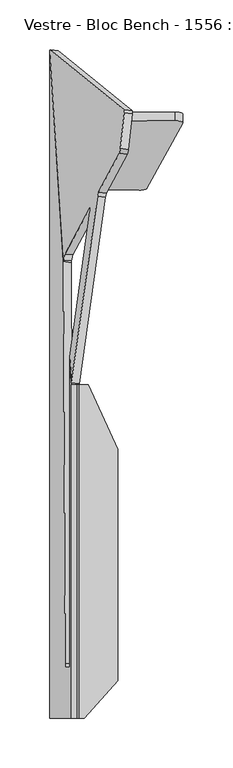
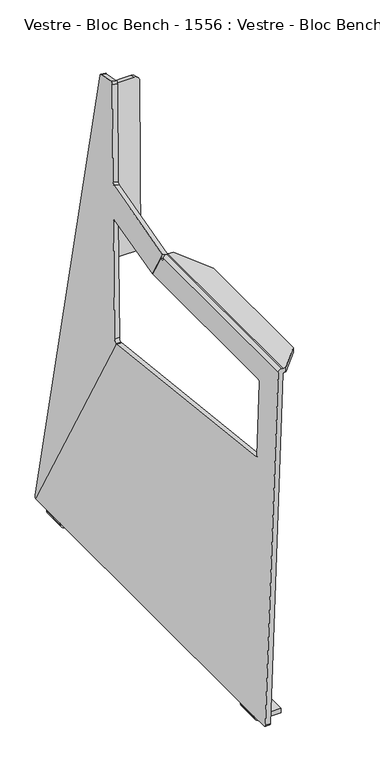
"""IFC4 building model written with IfcOpenShell, lengths in millimetres: furniture geometry, Vestre - Bloc Bench - 1556 : Vestre - Bloc Bench - 1556."""

from ifc_helpers import new_model, si_unit, frame, origin, place, context, project, spatial, polyline, circle_curve, ellipse_curve, source, transform, mapped, element, save
from ifc_brep_helpers import plane_surface, cylinder_surface, revolved_surface, advanced_brep


def vestre_bloc_bench_1556_vestre_bloc_bench_1556_da56eb3e(model_context):
    return source(origin(), model_context, "Body", "AdvancedBrep", [
        advanced_brep(
        [(-880.8633489, 337.9713039, 14.8944279), (-881.5280215, 336.1005897, 11.2206695), (-867.61676, 124.5422214, 409.5831251), (-867.5760922, 124.8590494, 409.5484177), (-866.2037222, 131.2504543, 413.8911008), (-840.7909312, 178.4134646, 585.5886209), (-840.7791117, 174.5518534, 590.6481205), (-861.2994828, 28.470929, 590.4844823), (-859.5577941, 1.98384, 640.3594265), (-833.1217155, 190.2995977, 640.4138722), (-832.2804167, 194.0587936, 643.2798026), (-811.1014693, 233.3654515, 786.3705641), (-810.120629, 238.2446052, 789.0752934), (-806.2223905, 274.267721, 778.499374), (-806.2060941, 277.1577, 774.9426086), (-872.9871313, 336.8658767, 14.0323223), (-798.3298764, 276.0522727, 774.080503), (-798.3461729, 273.1622937, 777.6372684), (-802.2444113, 237.139178, 788.2131877), (-803.2252516, 232.2600242, 785.5084585), (-824.4041991, 192.9533663, 642.417697), (-825.2454978, 189.1941704, 639.5517665), (-851.6815764, 0.8784127, 639.4973209), (-853.3932206, 26.9085927, 590.4827322), (-832.653384, 174.5518534, 590.6481205), (-832.6652035, 178.4134646, 585.5886209), (-858.0779945, 131.2504543, 413.8911008), (-859.4503645, 124.8590494, 409.5484177), (-859.704087, 122.8823921, 409.7649535), (-873.6518039, 334.9951625, 10.3585639), (-800.2290396, 275.0977695, 757.9536062), (-837.8982285, 205.1850931, 503.4518959), (-838.8596981, 196.4631475, 505.8515241), (-801.1905091, 266.3758239, 760.3532344), (-755.0440225, 275.0158862, 757.8881152), (-747.1427984, 272.5788357, 749.0639533), (-783.301588, 206.9046912, 509.9877088), (-791.2328587, 205.1005271, 503.3842593), (-791.2451915, 196.3768615, 505.7825119), (-783.3139208, 198.1810256, 512.3859614), (-747.1551312, 263.8551701, 751.4622058), (-755.0563553, 266.2922205, 760.2863677)],
        [
            (0, 1, circle_curve(frame((-881.4454916, 334.025159, 14.6358678), z_axis=(-0.9845272064646956, 0.13817840671662618, 0.10776320173453148), x_axis=(-0.10809843818608313, 0.005098251508800457, -0.9941271224009949)), 3.9972244)),
            (1, 2),
            (2, 3),
            (3, 4, ellipse_curve(frame((-866.8370673, 125.5075832, 415.4685906), z_axis=(0.9845272064646956, -0.1381784067166262, -0.10776320173453155), x_axis=(0.1752317885853553, 0.7763454442639396, 0.6054598016712618)), 6.049187, 5.9555892)),
            (4, 5),
            (5, 6, ellipse_curve(frame((-841.2163098, 174.5563342, 586.648123), z_axis=(0.9845272064646956, -0.1381784067166262, -0.10776320173453155), x_axis=(0.1752317885853553, 0.7763454442639396, 0.6054598016712618)), 4.0628639, 4.0)),
            (6, 7),
            (7, 8),
            (8, 9),
            (9, 10, circle_curve(frame((-832.6950066, 190.2385459, 644.3905783), z_axis=(0.9845272064646956, -0.13817840671662618, -0.10776320173453148), x_axis=(-0.10809843818608313, 0.005098251508800457, -0.9941271224009949)), 4.0)),
            (10, 11),
            (11, 12, circle_curve(frame((-810.6868794, 237.1856992, 785.2597883), z_axis=(-0.9845272064646956, 0.13817840671662618, 0.10776320173453148), x_axis=(-0.10809843818608313, 0.005098251508800457, -0.9941271224009949)), 4.0)),
            (12, 13),
            (13, 14, circle_curve(frame((-806.788641, 273.2088149, 774.683869), z_axis=(-0.9845272064646956, 0.13817840671662618, 0.10776320173453148), x_axis=(-0.10809843818608313, 0.005098251508800457, -0.9941271224009949)), 4.0)),
            (14, 0),
            (15, 16),
            (16, 17, circle_curve(frame((-798.9124233, 272.1033877, 773.8217633), z_axis=(0.9845272064646956, -0.13817840671662618, -0.10776320173453148), x_axis=(-0.10809843818608313, 0.005098251508800457, -0.9941271224009949)), 4.0)),
            (17, 18),
            (18, 19, circle_curve(frame((-802.8106618, 236.0802719, 784.3976827), z_axis=(0.9845272064646956, -0.13817840671662618, -0.10776320173453148), x_axis=(-0.10809843818608313, 0.005098251508800457, -0.9941271224009949)), 4.0)),
            (19, 20),
            (20, 21, circle_curve(frame((-824.8187889, 189.1331186, 643.5284727), z_axis=(-0.9845272064646956, 0.13817840671662618, 0.10776320173453148), x_axis=(-0.10809843818608313, 0.005098251508800457, -0.9941271224009949)), 4.0)),
            (21, 22),
            (22, 23),
            (23, 24),
            (24, 25, ellipse_curve(frame((-833.0905821, 174.5563342, 586.648123), z_axis=(-0.9845272064646956, 0.1381784067166262, 0.10776320173453155), x_axis=(0.1752317885853553, 0.7763454442639396, 0.6054598016712618)), 4.0628639, 4.0)),
            (25, 26),
            (26, 27, ellipse_curve(frame((-858.7113396, 125.5075832, 415.4685906), z_axis=(-0.9845272064646956, 0.1381784067166262, 0.10776320173453155), x_axis=(0.1752317885853553, 0.7763454442639396, 0.6054598016712618)), 6.049187, 5.9555892)),
            (27, 28),
            (28, 29),
            (29, 15, circle_curve(frame((-873.5692739, 332.9197317, 13.7737622), z_axis=(0.9845272064646956, -0.13817840671662618, -0.10776320173453148), x_axis=(-0.10809843818608313, 0.005098251508800457, -0.9941271224009949)), 3.9972244)),
            (30, 31),
            (31, 32),
            (32, 33),
            (33, 30),
            (13, 17),
            (16, 14),
            (15, 0),
            (29, 1),
            (28, 2),
            (22, 8),
            (7, 23),
            (34, 35, circle_curve(frame((-755.0590458, 272.8952788, 750.1743095), z_axis=(0.0013631459484884437, 0.9642258427672697, -0.2650786033856214), x_axis=(0.1443145567522505, 0.26211427827888556, 0.9541852093968657)), 8.0)),
            (35, 36),
            (36, 37, circle_curve(frame((-791.2178354, 207.2211344, 511.098065), z_axis=(0.0013631459484884437, 0.9642258427672697, -0.2650786033856214), x_axis=(0.1443145567522505, 0.26211427827888556, 0.9541852093968657)), 8.0)),
            (37, 31),
            (30, 34),
            (38, 39, circle_curve(frame((-791.2301682, 198.4974688, 513.4963176), z_axis=(-0.0013631459484884437, -0.9642258427672697, 0.2650786033856214), x_axis=(0.1443145567522505, 0.26211427827888556, 0.9541852093968657)), 8.0)),
            (39, 40),
            (40, 41, circle_curve(frame((-755.0713786, 264.1716132, 752.572562), z_axis=(-0.0013631459484884437, -0.9642258427672697, 0.2650786033856214), x_axis=(0.1443145567522505, 0.26211427827888556, 0.9541852093968657)), 8.0)),
            (41, 33),
            (32, 38),
            (34, 41),
            (40, 35),
            (39, 36),
            (38, 37),
            (21, 9),
            (20, 10),
            (19, 11),
            (18, 12),
            (5, 25),
            (24, 6),
            (27, 3),
            (26, 4),
        ],
        [
            plane_surface(frame((-881.8775853, 334.0455378, 10.6621186), z_axis=(-0.9845272064646956, 0.1381784067166262, 0.10776320173453155), x_axis=(-0.13791630575299013, -0.9903942324896726, 0.009917502641294942))),
            plane_surface(frame((-874.0013676, 332.9401106, 9.800013), z_axis=(0.9845272064646956, -0.1381784067166262, -0.10776320173453155), x_axis=(0.13791630575299013, 0.9903942324896726, -0.009917502641294942))),
            cylinder_surface(frame((-798.9124233, 272.1033877, 773.8217633), z_axis=(-0.9845272064646956, 0.13817840671662618, 0.10776320173453148), x_axis=(-0.10809843818608313, 0.005098251508800457, -0.9941271224009949)), 4.0),
            plane_surface(frame((-806.2060941, 277.1577, 774.9426086), z_axis=(0.14563671969423853, 0.9872212562883773, 0.06468490557386689), x_axis=(0.9845272064646949, -0.13817840671662657, -0.10776320173453655))),
            cylinder_surface(frame((-873.5692739, 332.9197317, 13.7737622), z_axis=(-0.9845272064646956, 0.13817840671662618, 0.10776320173453148), x_axis=(-0.10809843818608313, 0.005098251508800457, -0.9941271224009949)), 3.9972244),
            plane_surface(frame((-881.5280215, 336.1005897, 11.2206695), z_axis=(-0.17249891043919563, -0.8724250405319159, -0.45729495355861444), x_axis=(0.9845272064646962, -0.1381784067166225, -0.10776320173453138))),
            plane_surface(frame((-753.9045293, 274.9921931, 757.8077911), z_axis=(0.0013631459484884229, 0.9642258427672699, -0.2650786033856216), x_axis=(0.9895309245003537, -0.03955539485439854, -0.13879452509154705))),
            plane_surface(frame((-753.9168621, 266.2685275, 760.2060437), z_axis=(-0.0013631459484884229, -0.9642258427672699, 0.2650786033856216), x_axis=(-0.9895309245003537, 0.03955539485439854, 0.13879452509154705))),
            cylinder_surface(frame((-755.0713786, 264.1716132, 752.572562), z_axis=(0.0013631459484884437, 0.9642258427672697, -0.2650786033856214), x_axis=(0.1443145567522505, 0.26211427827888556, 0.9541852093968657)), 8.0),
            plane_surface(frame((-747.1427984, 272.5788357, 749.0639533), z_axis=(0.9895309245003534, -0.039555394854398324, -0.13879452509154833), x_axis=(-0.001363145948487987, -0.9642258427672699, 0.2650786033856207))),
            cylinder_surface(frame((-791.2301682, 198.4974688, 513.4963176), z_axis=(0.0013631459484884437, 0.9642258427672697, -0.2650786033856214), x_axis=(0.1443145567522505, 0.26211427827888556, 0.9541852093968657)), 8.0),
            plane_surface(frame((-791.2328587, 205.1005271, 503.3842593), z_axis=(-0.0018779099002757267, -0.2650759139656631, -0.9642257169821155), x_axis=(-0.001363145948487987, -0.9642258427672699, 0.2650786033856207))),
            plane_surface(frame((-803.1542615, 275.1030705, 757.957846), z_axis=(0.0018779099002687964, 0.2650759139656631, 0.9642257169821156), x_axis=(-0.001363145948487987, -0.9642258427672699, 0.2650786033856207))),
            plane_surface(frame((-859.5577941, 1.98384, 640.3594265), z_axis=(0.10667723092490322, -0.015262962519211895, 0.9941765488972932), x_axis=(0.9845272064646956, -0.13817840671662243, -0.10776320173453661))),
            revolved_surface(polyline([(-825.251182622492, 189.15351160178926, 639.5519642070847), (-833.1274003560839, 190.25893886701334, 640.4140698299226)]), (-824.8187889, 189.1331186, 643.5284727), (0.9845272064646956, -0.13817840671662618, -0.10776320173453148)),
            plane_surface(frame((-832.2804167, 194.0587936, 643.2798026), z_axis=(-0.10364746347884374, -0.955061925655032, 0.2776939348968645), x_axis=(0.9845272064646949, -0.13817840671662657, -0.10776320173453655))),
            cylinder_surface(frame((-802.8106618, 236.0802719, 784.3976827), z_axis=(-0.9845272064646956, 0.13817840671662618, 0.10776320173453148), x_axis=(-0.10809843818608313, 0.005098251508800457, -0.9941271224009949)), 4.0),
            plane_surface(frame((-810.120629, 238.2446052, 789.0752934), z_axis=(0.14156261468824688, 0.26472650457534325, 0.9538762518785904), x_axis=(0.9845272064646956, -0.13817840671662243, -0.10776320173453661))),
            revolved_surface(polyline([(-832.3786391920241, 170.5563342, 586.648123), (-841.9282527079758, 170.5563342, 586.648123)]), (-919.9232064, 174.5563342, 586.648123), (1.0, 0.0, 0.0)),
            plane_surface(frame((-812.6404131, 174.5518534, 590.6481205), z_axis=(0.0, 0.0011201877232388624, -0.9999993725895355), x_axis=(-1.0, 0.0, 0.0))),
            plane_surface(frame((-812.6404131, -281.1025506, 454.0200604), z_axis=(0.0, 0.10889498268372885, 0.9940532595119391), x_axis=(-1.0, 0.0, 0.0))),
            revolved_surface(polyline([(-857.6513297425026, 119.551994, 415.4685906), (-867.8970771574973, 119.551994, 415.4685906)]), (-919.9232064, 125.5075832, 415.4685906), (1.0, 0.0, 0.0)),
            plane_surface(frame((-812.6404131, 131.2504543, 413.8911008), z_axis=(0.0, -0.9642826121585462, 0.2648755252730816), x_axis=(-1.0, 0.0, 0.0))),
        ],
        [
            (0, [[1, 2, 3, 4, 5, 6, 7, 8, 9, 10, 11, 12, 13, 14, 15]]),
            (1, [[16, 17, 18, 19, 20, 21, 22, 23, 24, 25, 26, 27, 28, 29, 30], [31, 32, 33, 34]]),
            (2, [[-14, 35, -17, 36]]),
            (3, [[-15, -36, -16, 37]]),
            (4, [[-1, -37, -30, 38]]),
            (5, [[-38, -29, 39, -2]]),
            (5, [[40, -8, 41, -23]]),
            (6, [[42, 43, 44, 45, -31, 46]]),
            (7, [[47, 48, 49, 50, -33, 51]]),
            (8, [[-42, 52, -49, 53]]),
            (9, [[-43, -53, -48, 54]]),
            (10, [[-44, -54, -47, 55]]),
            (11, [[-55, -51, -32, -45]]),
            (12, [[-52, -46, -34, -50]]),
            (13, [[-9, -40, -22, 56]]),
            (14, [[-10, -56, -21, 57]]),
            (15, [[-11, -57, -20, 58]]),
            (16, [[-12, -58, -19, 59]]),
            (17, [[-13, -59, -18, -35]]),
            (18, [[60, -25, 61, -6]]),
            (19, [[-61, -24, -41, -7]]),
            (20, [[62, -3, -39, -28]]),
            (21, [[-62, -27, 63, -4]]),
            (22, [[-60, -5, -63, -26]]),
        ],
    ),
        advanced_brep(
        [(-881.4138659, 336.0793859, 11.3539925), (-881.4516113, 333.3438949, 10.2731042), (-881.4516113, 303.3438949, 10.2731042), (-881.4516113, 263.3438949, 10.2731042), (-881.4516113, -263.3438949, 10.2731042), (-881.4516113, -303.3438949, 10.2731042), (-881.4516113, -332.3224978, 10.2731042), (-881.3120133, -336.3224978, 14.2706676), (-859.6494877, -336.3224978, 634.6042367), (-859.6494877, 0.0, 634.6042367), (-859.8164077, 0.0, 629.8242748), (-859.8164077, 7.626776, 629.8242748), (-861.1901816, 28.5190326, 590.4845362), (-861.2022765, -280.671368, 590.1381847), (-861.3419594, -284.6668873, 586.1381898), (-865.8167736, -284.6669706, 457.9962761), (-865.9556261, -281.1025506, 454.0200604), (-867.5075955, 124.5938136, 409.5774734), (-873.3168867, -336.3224978, 13.9914716), (-873.4564847, -332.3224978, 9.9939083), (-873.4564847, -303.3438949, 9.9939083), (-873.4886988, -303.3438949, 9.0714168), (-873.4886988, -263.3438949, 9.0714168), (-873.4564847, -263.3438949, 9.9939083), (-873.4564847, 263.3438949, 9.9939083), (-873.4886988, 263.3438949, 9.0714168), (-873.4886988, 303.3438949, 9.0714168), (-873.4564847, 303.3438949, 9.9939083), (-873.4564847, 333.3438949, 9.9939083), (-873.4187392, 336.0793859, 11.0747965), (-859.5021169, 124.4363813, 409.5947195), (-857.9507498, -281.1025506, 454.0200604), (-857.8118973, -284.6669706, 457.9962761), (-853.337083, -284.6668873, 586.1381898), (-853.1974001, -280.671368, 590.1381847), (-853.1853111, 28.3708474, 590.4843702), (-851.8212811, 7.626776, 629.5450788), (-851.8212811, 0.0, 629.5450788), (-851.7778593, 0.0, 630.7885173), (-851.7778593, -336.3224978, 630.7885173), (-850.2766357, -336.3224978, 632.2382321), (-846.5946295, -336.3224978, 632.2382321), (-846.5946295, -336.3224978, 640.3596516), (-851.4436279, -336.3224978, 640.3596516), (-853.6895812, -336.3224978, 640.3596516), (-872.4540437, -303.3438949, 8.0), (-881.4516113, -303.3438949, 8.2703475), (-873.5140122, -303.3438949, 0.0), (-835.810356, -303.3438949, 0.0), (-835.810356, -303.3438949, 8.0), (-872.4540437, -263.3438949, 8.0), (-835.810356, -263.3438949, 8.0), (-835.810356, -263.3438949, 0.0), (-873.5140122, -263.3438949, 0.0), (-881.4516113, -263.3438949, 8.2703475), (-872.4540437, 303.3438949, 8.0), (-835.810356, 303.3438949, 8.0), (-835.810356, 303.3438949, 0.0), (-873.5140122, 303.3438949, 0.0), (-881.4516113, 303.3438949, 8.2703475), (-872.4540437, 263.3438949, 8.0), (-881.4516113, 263.3438949, 8.2703475), (-873.5140122, 263.3438949, 0.0), (-835.810356, 263.3438949, 0.0), (-835.810356, 263.3438949, 8.0), (-853.6895812, 0.0, 640.3596516), (-851.4436279, 0.0, 640.3596516), (-842.6377771, 0.0, 640.3596516), (-842.6377771, 0.0, 632.2382321), (-850.2766357, 0.0, 632.2382321), (-812.6404131, -64.9029098, 632.2382321), (-812.6404131, -298.6125202, 632.2382321), (-812.6404131, -64.9029098, 640.3596516), (-812.6404131, -298.6125202, 640.3596516)],
        [
            (0, 1, circle_curve(frame((-881.3120088, 333.3438949, 14.2707962), z_axis=(-0.9993908270190959, 0.0, 0.0348994967025008), x_axis=(-0.0348994967025008, 0.0, -0.9993908270190959)), 4.0001287)),
            (1, 2),
            (2, 3),
            (3, 4),
            (4, 5),
            (5, 6),
            (6, 7, circle_curve(frame((-881.3120133, -332.3224978, 14.2706676), z_axis=(-0.9993908270190959, 0.0, 0.0348994967025008), x_axis=(-0.0348994967025008, 0.0, -0.9993908270190959)), 4.0)),
            (7, 8),
            (8, 9),
            (9, 10),
            (10, 11),
            (11, 12),
            (12, 13),
            (13, 14, ellipse_curve(frame((-861.3419595, -280.6668873, 586.1381872), z_axis=(0.9993908270190959, 0.0, -0.0348994967025008), x_axis=(0.03489949670249232, 0.0, 0.9993908270190961)), 4.0024382, 4.0)),
            (14, 15),
            (15, 16, ellipse_curve(frame((-865.8167737, -280.6669706, 457.9962735), z_axis=(0.9993908270190959, 0.0, -0.0348994967025008), x_axis=(0.03489949670249232, 0.0, 0.9993908270190961)), 4.0024382, 4.0)),
            (16, 17),
            (17, 0),
            (18, 19, circle_curve(frame((-873.3168867, -332.3224978, 13.9914716), z_axis=(0.9993908270190959, 0.0, -0.0348994967025008), x_axis=(-0.0348994967025008, 0.0, -0.9993908270190959)), 4.0)),
            (19, 20),
            (20, 21),
            (21, 22),
            (22, 23),
            (23, 24),
            (24, 25),
            (25, 26),
            (26, 27),
            (27, 28),
            (28, 29, circle_curve(frame((-873.3168822, 333.3438949, 13.9916002), z_axis=(0.9993908270190959, 0.0, -0.0348994967025008), x_axis=(-0.0348994967025008, 0.0, -0.9993908270190959)), 4.0001287)),
            (29, 30),
            (30, 31),
            (31, 32, ellipse_curve(frame((-857.8118974, -280.6669706, 457.9962735), z_axis=(-0.9993908270190959, 0.0, 0.0348994967025008), x_axis=(0.03489949670249232, 0.0, 0.9993908270190961)), 4.0024382, 4.0)),
            (32, 33),
            (33, 34, ellipse_curve(frame((-853.3370831, -280.6668873, 586.1381872), z_axis=(-0.9993908270190959, 0.0, 0.0348994967025008), x_axis=(0.03489949670249232, 0.0, 0.9993908270190961)), 4.0024382, 4.0)),
            (34, 35),
            (35, 36),
            (36, 37),
            (37, 38),
            (38, 39),
            (39, 18),
            (29, 0),
            (17, 30),
            (11, 36),
            (35, 12),
            (28, 1),
            (27, 2),
            (19, 6),
            (5, 20),
            (23, 4),
            (3, 24),
            (18, 7),
            (39, 40, circle_curve(frame((-850.2766357, -336.3224978, 630.7360934), z_axis=(0.0, 1.0, 0.0), x_axis=(1.0, 0.0, 0.0)), 1.5021387)),
            (40, 41),
            (41, 42),
            (42, 43),
            (43, 44),
            (44, 8, circle_curve(frame((-853.6895812, -336.3224978, 634.3961122), z_axis=(0.0, -1.0, 0.0), x_axis=(1.0, 0.0, 0.0)), 5.9635394)),
            (45, 21, circle_curve(frame((-872.4540437, -303.3438949, 9.0352858), z_axis=(0.0, 1.0, 0.0), x_axis=(1.0, 0.0, 0.0)), 1.0352858)),
            (5, 46),
            (46, 47, circle_curve(frame((-873.1742893, -303.3438949, 8.2703475), z_axis=(0.0, -1.0, 0.0), x_axis=(1.0, 0.0, 0.0)), 8.277322)),
            (47, 48),
            (48, 49),
            (49, 45),
            (50, 51),
            (51, 52),
            (52, 53),
            (53, 54, circle_curve(frame((-873.1742893, -263.3438949, 8.2703475), z_axis=(0.0, 1.0, 0.0), x_axis=(1.0, 0.0, 0.0)), 8.277322)),
            (54, 4),
            (22, 50, circle_curve(frame((-872.4540437, -263.3438949, 9.0352858), z_axis=(0.0, -1.0, 0.0), x_axis=(1.0, 0.0, 0.0)), 1.0352858)),
            (45, 50),
            (47, 53),
            (52, 48),
            (51, 49),
            (54, 46),
            (55, 56),
            (56, 57),
            (57, 58),
            (58, 59, circle_curve(frame((-873.1742893, 303.3438949, 8.2703475), z_axis=(0.0, 1.0, 0.0), x_axis=(1.0, 0.0, 0.0)), 8.277322)),
            (59, 2),
            (26, 55, circle_curve(frame((-872.4540437, 303.3438949, 9.0352858), z_axis=(0.0, -1.0, 0.0), x_axis=(1.0, 0.0, 0.0)), 1.0352858)),
            (60, 25, circle_curve(frame((-872.4540437, 263.3438949, 9.0352858), z_axis=(0.0, 1.0, 0.0), x_axis=(1.0, 0.0, 0.0)), 1.0352858)),
            (3, 61),
            (61, 62, circle_curve(frame((-873.1742893, 263.3438949, 8.2703475), z_axis=(0.0, -1.0, 0.0), x_axis=(1.0, 0.0, 0.0)), 8.277322)),
            (62, 63),
            (63, 64),
            (64, 60),
            (60, 55),
            (57, 63),
            (62, 58),
            (56, 64),
            (59, 61),
            (10, 37),
            (34, 13),
            (33, 14),
            (32, 15),
            (31, 16),
            (9, 65, circle_curve(frame((-853.6895812, 0.0, 634.3961122), z_axis=(0.0, 1.0, 0.0), x_axis=(1.0, 0.0, 0.0)), 5.9635394)),
            (65, 66),
            (66, 67),
            (67, 68),
            (68, 69),
            (69, 38, circle_curve(frame((-850.2766357, 0.0, 630.7360934), z_axis=(0.0, -1.0, 0.0), x_axis=(1.0, 0.0, 0.0)), 1.5021387)),
            (40, 69),
            (68, 70),
            (70, 71),
            (71, 41),
            (70, 72),
            (72, 73),
            (73, 71),
            (66, 43),
            (42, 73),
            (72, 67),
            (65, 44),
        ],
        [
            plane_surface(frame((-859.8164077, 7.626776, 629.8242748), z_axis=(-0.9993908270190959, 0.0, 0.0348994967025008), x_axis=(0.0, 1.0, 0.0))),
            plane_surface(frame((-851.8212811, 7.626776, 629.5450788), z_axis=(0.9993908270190959, 0.0, -0.0348994967025008), x_axis=(0.0, -1.0, 0.0))),
            plane_surface(frame((-859.8164077, 7.626776, 629.8242748), z_axis=(0.016361236819831454, 0.883298976901068, 0.46852452159439006), x_axis=(0.9993908270190955, 0.0, -0.034899496702506035))),
            cylinder_surface(frame((-873.3168822, 333.3438949, 13.9916002), z_axis=(-0.9993908270190959, 0.0, 0.0348994967025008), x_axis=(-0.0348994967025008, 0.0, -0.9993908270190959)), 4.0001287),
            plane_surface(frame((-881.4516113, 333.3438949, 10.2731042), z_axis=(-0.03489949670248914, 0.0, -0.9993908270190962), x_axis=(0.9993908270190962, 0.0, -0.03489949670248914))),
            cylinder_surface(frame((-873.3168867, -332.3224978, 13.9914716), z_axis=(-0.9993908270190959, 0.0, 0.0348994967025008), x_axis=(-0.0348994967025008, 0.0, -0.9993908270190959)), 4.0),
            plane_surface(frame((-881.3120133, -336.3224978, 14.2706676), z_axis=(0.0, -1.0, 0.0), x_axis=(0.9993908270190955, 0.0, -0.034899496702506035))),
            plane_surface(frame((-871.4187578, -303.3438949, 9.0352858), z_axis=(0.0, -1.0, 0.0), x_axis=(0.0, 0.0, -1.0))),
            plane_surface(frame((-871.4187578, -263.3438949, 9.0352858), z_axis=(0.0, 1.0, 0.0), x_axis=(0.0, 0.0, 1.0))),
            revolved_surface(polyline([(-871.4187579000001, -263.3438949, 9.0352858), (-871.4187579000001, -303.3438949, 9.0352858)]), (-872.4540437, -263.3438949, 9.0352858), (0.0, 1.0, 0.0)),
            plane_surface(frame((-873.5140122, -303.3438949, 0.0), z_axis=(0.0, 0.0, -1.0), x_axis=(0.0, 1.0, 0.0))),
            plane_surface(frame((-835.810356, -303.3438949, 0.0), z_axis=(1.0, 0.0, 0.0), x_axis=(0.0, 1.0, 0.0))),
            plane_surface(frame((-835.810356, -303.3438949, 8.0), z_axis=(0.0, 0.0, 1.0), x_axis=(0.0, 1.0, 0.0))),
            plane_surface(frame((-881.4516113, -303.3438949, 10.2731042), z_axis=(-1.0, 0.0, 0.0), x_axis=(0.0, 1.0, 0.0))),
            cylinder_surface(frame((-873.1742893, -263.3438949, 8.2703475), z_axis=(0.0, -1.0, 0.0), x_axis=(1.0, 0.0, 0.0)), 8.277322),
            plane_surface(frame((-835.810356, 303.3438949, 8.0), z_axis=(0.0, 1.0, 0.0), x_axis=(1.0, 0.0, 0.0))),
            plane_surface(frame((-835.810356, 263.3438949, 8.0), z_axis=(0.0, -1.0, 0.0), x_axis=(-1.0, 0.0, 0.0))),
            revolved_surface(polyline([(-871.4187579000001, 263.3438949, 9.0352858), (-871.4187579000001, 303.3438949, 9.0352858)]), (-872.4540437, 263.3438949, 9.0352858), (0.0, -1.0, 0.0)),
            plane_surface(frame((-835.810356, 303.3438949, 0.0), z_axis=(0.0, 0.0, -1.0), x_axis=(0.0, -1.0, 0.0))),
            plane_surface(frame((-835.810356, 303.3438949, 8.0), z_axis=(1.0, 0.0, 0.0), x_axis=(0.0, -1.0, 0.0))),
            plane_surface(frame((-872.4540437, 303.3438949, 8.0), z_axis=(0.0, 0.0, 1.0), x_axis=(0.0, -1.0, 0.0))),
            plane_surface(frame((-881.4516113, 303.3438949, 8.2703475), z_axis=(-1.0, 0.0, 0.0), x_axis=(0.0, -1.0, 0.0))),
            cylinder_surface(frame((-873.1742893, 263.3438949, 8.2703475), z_axis=(0.0, 1.0, 0.0), x_axis=(1.0, 0.0, 0.0)), 8.277322),
            plane_surface(frame((-859.8164077, -336.3224978, 629.8242748), z_axis=(0.034899496702506035, 0.0, 0.9993908270190955), x_axis=(0.9993908270190955, 0.0, -0.034899496702506035))),
            plane_surface(frame((-812.6404131, 174.5518534, 590.6481205), z_axis=(0.0, 0.0011201877232388624, -0.9999993725895355), x_axis=(-1.0, 0.0, 0.0))),
            revolved_surface(polyline([(-853.1974000212372, -284.6668873, 586.1381872), (-861.4816425787628, -284.6668873, 586.1381872)]), (-919.9232064, -280.6668873, 586.1381872), (1.0, 0.0, 0.0)),
            plane_surface(frame((-812.6404131, -284.6668873, 586.1381898), z_axis=(0.0, 0.9999999999997885, -6.504329964730784e-07), x_axis=(-1.0, 0.0, 0.0))),
            revolved_surface(polyline([(-857.6722143212372, -284.6669706, 457.9962735), (-865.9564567787628, -284.6669706, 457.9962735)]), (-919.9232064, -280.6669706, 457.9962735), (1.0, 0.0, 0.0)),
            plane_surface(frame((-812.6404131, -281.1025506, 454.0200604), z_axis=(0.0, 0.10889498268372885, 0.9940532595119391), x_axis=(-1.0, 0.0, 0.0))),
            plane_surface(frame((-859.8862566, 0.0, 627.8240627), z_axis=(0.0, 1.0, 0.0), x_axis=(0.03489949670249125, 0.0, 0.9993908270190961))),
            plane_surface(frame((-850.2766357, -336.3224978, 632.2382321), z_axis=(0.0, 0.0, -1.0), x_axis=(0.0, 1.0, 0.0))),
            plane_surface(frame((-812.6404131, -336.3224978, 632.2382321), z_axis=(1.0, 0.0, 0.0), x_axis=(0.0, 1.0, 0.0))),
            plane_surface(frame((-812.6404131, -336.3224978, 640.3596516), z_axis=(0.0, 0.0, 1.0), x_axis=(0.0, 1.0, 0.0))),
            plane_surface(frame((-851.4436279, -336.3224978, 640.3596516), z_axis=(0.0, 0.0, 1.0), x_axis=(0.0, 1.0, 0.0))),
            cylinder_surface(frame((-853.6895812, 0.0, 634.3961122), z_axis=(0.0, -1.0, 0.0), x_axis=(1.0, 0.0, 0.0)), 5.9635394),
            revolved_surface(polyline([(-848.774497, 0.0, 630.7360934), (-848.774497, -336.3224978, 630.7360934)]), (-850.2766357, 0.0, 630.7360934), (0.0, 1.0, 0.0)),
            plane_surface(frame((-812.6418555, -64.8997891, 616.5713791), z_axis=(0.9077348201474655, 0.419544391324504, 0.0), x_axis=(0.0, 0.0, 1.0))),
            plane_surface(frame((-846.5946295, -336.3224978, 616.5713791), z_axis=(0.7431448254773961, -0.6691306063588561, 0.0), x_axis=(0.0, 0.0, 1.0))),
        ],
        [
            (0, [[1, 2, 3, 4, 5, 6, 7, 8, 9, 10, 11, 12, 13, 14, 15, 16, 17, 18]]),
            (1, [[19, 20, 21, 22, 23, 24, 25, 26, 27, 28, 29, 30, 31, 32, 33, 34, 35, 36, 37, 38, 39, 40]]),
            (2, [[41, -18, 42, -30]]),
            (2, [[43, -36, 44, -12]]),
            (3, [[-1, -41, -29, 45]]),
            (4, [[-45, -28, 46, -2]]),
            (4, [[47, -6, 48, -20]]),
            (4, [[49, -4, 50, -24]]),
            (5, [[-7, -47, -19, 51]]),
            (6, [[-51, -40, 52, 53, 54, 55, 56, 57, -8]]),
            (7, [[58, -21, -48, 59, 60, 61, 62, 63]]),
            (8, [[64, 65, 66, 67, 68, -49, -23, 69]]),
            (9, [[-58, 70, -69, -22]]),
            (10, [[-61, 71, -66, 72]]),
            (11, [[-62, -72, -65, 73]]),
            (12, [[-63, -73, -64, -70]]),
            (13, [[-59, -5, -68, 74]]),
            (14, [[-60, -74, -67, -71]]),
            (15, [[75, 76, 77, 78, 79, -46, -27, 80]]),
            (16, [[81, -25, -50, 82, 83, 84, 85, 86]]),
            (17, [[-80, -26, -81, 87]]),
            (18, [[-77, 88, -84, 89]]),
            (19, [[-76, 90, -85, -88]]),
            (20, [[-75, -87, -86, -90]]),
            (21, [[-79, 91, -82, -3]]),
            (22, [[-78, -89, -83, -91]]),
            (23, [[-43, -11, 92, -37]]),
            (24, [[93, -13, -44, -35]]),
            (25, [[-93, -34, 94, -14]]),
            (26, [[-94, -33, 95, -15]]),
            (27, [[-95, -32, 96, -16]]),
            (28, [[-96, -31, -42, -17]]),
            (29, [[97, 98, 99, 100, 101, 102, -38, -92, -10]]),
            (30, [[103, -101, 104, 105, 106, -53]]),
            (31, [[-105, 107, 108, 109]]),
            (32, [[110, -55, 111, -108, 112, -99]]),
            (33, [[-56, -110, -98, 113]]),
            (34, [[-57, -113, -97, -9]]),
            (35, [[-52, -39, -102, -103]]),
            (36, [[-100, -112, -107, -104]]),
            (37, [[-54, -106, -109, -111]]),
        ],
    ),
    ])


if __name__ == "__main__":
    model = new_model("IFC4")
    model_context = context("Model", 3, world=origin())
    ifc_project = project(units=[si_unit("LENGTHUNIT", "METRE", prefix="MILLI")], contexts=[model_context])
    site = spatial("IfcSite", under=ifc_project)
    building = spatial("IfcBuilding", under=site)
    placement = place(None, origin())
    vestre_bloc_bench_1556_vestre_bloc_bench_1556_shape = vestre_bloc_bench_1556_vestre_bloc_bench_1556_da56eb3e(model_context)
    element("IfcFurniture", 1, ObjectType="Vestre - Bloc Bench - 1556 : Vestre - Bloc Bench - 1556", at=placement, inside=building, context=model_context, shape_type="MappedRepresentation", body=[
        mapped(vestre_bloc_bench_1556_vestre_bloc_bench_1556_shape, transform((0.0, 0.0, 0.0), x_axis=(1.0, 0.0, 0.0), y_axis=(0.0, 1.0, 0.0), z_axis=(0.0, 0.0, 1.0))),
    ])
    save(model, "model.ifc")
